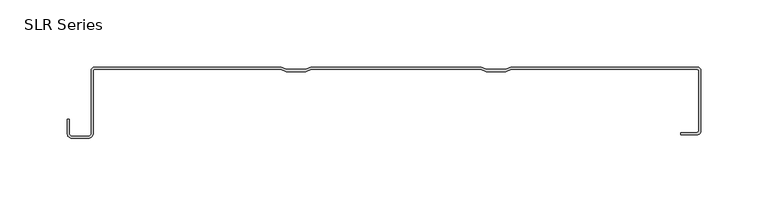
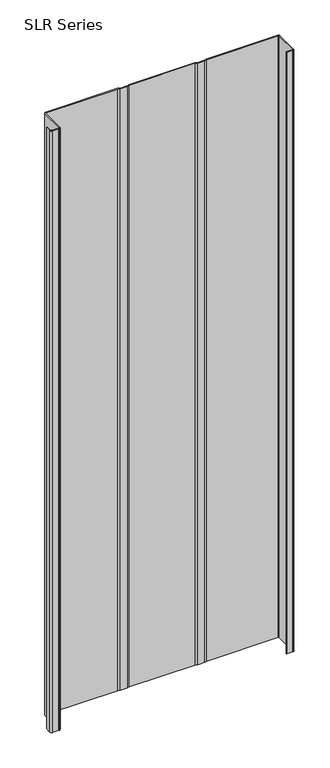
"""IFC4 building model written with IfcOpenShell, lengths in millimetres: plate geometry, SLR Series."""

from ifc_helpers import new_model, si_unit, point, frame_2d, origin, origin_with_axes, place, context, project, spatial, polyline, circle_curve, trimmed, segment, composite_curve, outline, extrude, source, transform, mapped, element, save


def slr_series_bc361cbb(model_context):
    return source(origin(), model_context, "Body", "SweptSolid", [
        extrude(outline(composite_curve([segment(trimmed(circle_curve(frame_2d((-226.4785174, -49.322367)), 3.5323605), [point((-222.9461569, -49.322367))], [point((-226.4785174, -52.8547275))], False, "CARTESIAN"), True, "CONTINUOUS"), segment(polyline([(-226.4785174, -52.8547275), (-238.8643673, -52.8547275)]), True, "CONTINUOUS"), segment(trimmed(circle_curve(frame_2d((-238.8643673, -49.322367)), 3.5323605), [point((-238.8643673, -52.8547275))], [point((-242.3967278, -49.322367))], False, "CARTESIAN"), True, "CONTINUOUS"), segment(polyline([(-242.3967278, -49.322367), (-242.3967278, -38.9158598), (-240.8437101, -38.9158598), (-240.8437101, -49.322367)]), True, "CONTINUOUS"), segment(trimmed(circle_curve(frame_2d((-238.8643673, -49.322367)), 1.9793427), [point((-240.8437101, -49.322367))], [point((-238.8643673, -51.3017098))], True, "CARTESIAN"), True, "CONTINUOUS"), segment(polyline([(-238.8643673, -51.3017098), (-226.4785174, -51.3017098)]), True, "CONTINUOUS"), segment(trimmed(circle_curve(frame_2d((-226.4785174, -49.322367)), 1.9793427), [point((-226.4785174, -51.3017098))], [point((-224.4991747, -49.322367))], True, "CARTESIAN"), True, "CONTINUOUS"), segment(polyline([(-224.4991747, -49.322367), (-224.4991747, -2.7245977)]), True, "CONTINUOUS"), segment(trimmed(circle_curve(frame_2d((-221.7739185, -2.7245977)), 2.7252562), [point((-224.4991747, -2.7245977))], [point((-221.8338237, 0.0))], False, "CARTESIAN"), True, "CONTINUOUS"), segment(polyline([(-221.8338237, 0.0), (-83.1074826, 0.0), (-78.9851734, -1.6489237), (-65.2131759, -1.6489237), (-61.0908668, 0.0), (65.941692, 0.0), (70.0640011, -1.6489237), (83.8359986, -1.6489237), (87.9583077, 0.0), (226.5762297, 0.0)]), True, "CONTINUOUS"), segment(trimmed(circle_curve(frame_2d((226.6272458, -2.7222761)), 2.722754), [point((226.5762297, 0.0))], [point((229.3499998, -2.7222761))], False, "CARTESIAN"), True, "CONTINUOUS"), segment(polyline([(229.3499998, -2.7222761), (229.3499998, -47.5057747)]), True, "CONTINUOUS"), segment(trimmed(circle_curve(frame_2d((226.5762297, -47.5057747)), 2.7737702), [point((229.3499998, -47.5057747))], [point((226.5762297, -50.2795449))], False, "CARTESIAN"), True, "CONTINUOUS"), segment(polyline([(226.5762297, -50.2795449), (214.496908, -50.2795449), (214.496908, -48.6618105), (226.5762297, -48.6618105)]), True, "CONTINUOUS"), segment(trimmed(circle_curve(frame_2d((226.5762297, -47.5057747)), 1.1560358), [point((226.5762297, -48.6618105))], [point((227.7322655, -47.5057747))], True, "CARTESIAN"), True, "CONTINUOUS"), segment(polyline([(227.7322655, -47.5057747), (227.7322655, -2.7435358)]), True, "CONTINUOUS"), segment(trimmed(circle_curve(frame_2d((226.5762297, -2.7435358)), 1.1560358), [point((227.7322655, -2.7435358))], [point((226.5762297, -1.5875))], True, "CARTESIAN"), True, "CONTINUOUS"), segment(polyline([(226.5762297, -1.5875), (88.2640323, -1.5875), (84.1417232, -3.2364237), (69.7582765, -3.2364237), (65.6359674, -1.5875), (-60.7851423, -1.5875), (-64.9074514, -3.2364237), (-79.290898, -3.2364237), (-83.4132071, -1.5875), (-221.8338237, -1.5875)]), True, "CONTINUOUS"), segment(trimmed(circle_curve(frame_2d((-221.8338237, -2.6998332)), 1.1123332), [point((-221.8338237, -1.5875))], [point((-222.9461569, -2.6998332))], True, "CARTESIAN"), True, "CONTINUOUS"), segment(polyline([(-222.9461569, -2.6998332), (-222.9461569, -49.322367)]), True, "CONTINUOUS")], self_intersect=False)), origin_with_axes(), (0.0, 0.0, 1.0), 1228.3559792),
    ])


if __name__ == "__main__":
    model = new_model("IFC4")
    model_context = context("Model", 3, world=origin())
    ifc_project = project(units=[si_unit("LENGTHUNIT", "METRE", prefix="MILLI")], contexts=[model_context])
    site = spatial("IfcSite", under=ifc_project)
    building = spatial("IfcBuilding", under=site)
    placement = place(None, origin())
    slr_series_shape = slr_series_bc361cbb(model_context)
    element("IfcPlate", 1, ObjectType="SLR Series", at=placement, inside=building, context=model_context, shape_type="MappedRepresentation", body=[
        mapped(slr_series_shape, transform((0.0, 0.0, 0.0), x_axis=(1.0, 0.0, 0.0), y_axis=(0.0, 1.0, 0.0), z_axis=(0.0, 0.0, 1.0))),
    ])
    save(model, "model.ifc")
